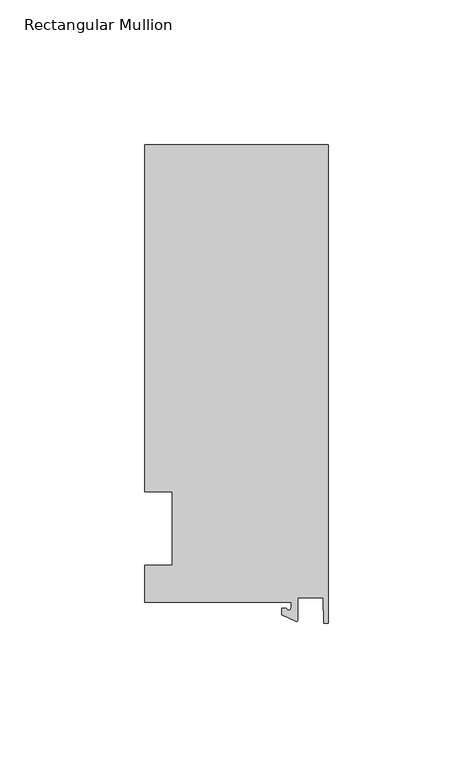
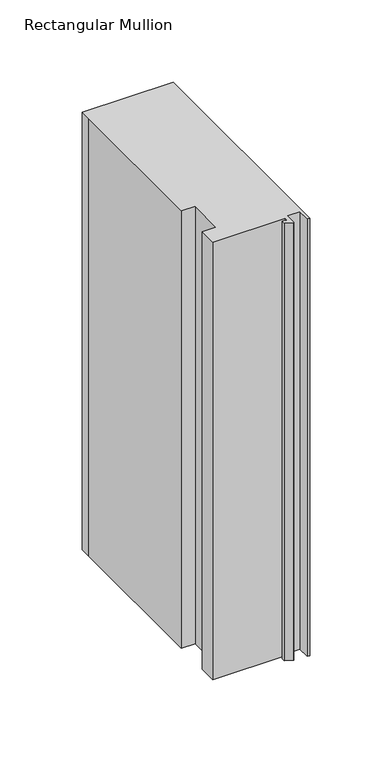
"""IFC4 building model written with IfcOpenShell, lengths in millimetres: member geometry, Rectangular Mullion."""

from ifc_helpers import new_model, si_unit, point, frame, frame_2d, origin, place, context, project, spatial, polyline, circle_curve, trimmed, segment, composite_curve, outline, extrude, source, transform, mapped, element, save


def rectangular_mullion_05969dad(model_context):
    return source(origin(), model_context, "Body", "SweptSolid", [
        extrude(outline(composite_curve([segment(polyline([(-12.8216721, -25.5984375), (-63.5, -25.5984375), (-63.5, -12.7), (-53.975, -12.7), (-53.975, 12.7), (-63.5, 12.7), (-63.5, 125.075512), (-63.5, 132.822512), (0.0, 132.822512), (0.0, -32.810012), (-1.5566453, -32.810012), (-1.7144124, -23.9227662), (-10.4340721, -23.9227662), (-10.4340721, -31.6795354)]), True, "CONTINUOUS"), segment(trimmed(circle_curve(frame_2d((-10.9420721, -31.6795354)), 0.508), [point((-10.4340721, -31.6795354))], [point((-11.1567622, -32.1399398))], False, "CARTESIAN"), True, "CONTINUOUS"), segment(polyline([(-11.1567622, -32.1399398), (-15.9966721, -29.8830527), (-15.9966721, -27.5208534), (-14.4091721, -27.5208534)]), True, "CONTINUOUS"), segment(trimmed(circle_curve(frame_2d((-13.6154221, -27.5208534)), 0.79375), [point((-14.4091721, -27.5208534))], [point((-12.8216721, -27.5208534))], True, "CARTESIAN"), True, "CONTINUOUS"), segment(polyline([(-12.8216721, -27.5208534), (-12.8216721, -25.5984375)]), True, "CONTINUOUS")], self_intersect=False)), frame((0.0, 0.0, -324.0836212), z_axis=(0.0, 0.0, 1.0), x_axis=(1.0, 0.0, 0.0)), (0.0, 0.0, 1.0), 324.0836212),
    ])


if __name__ == "__main__":
    model = new_model("IFC4")
    model_context = context("Model", 3, world=origin())
    ifc_project = project(units=[si_unit("LENGTHUNIT", "METRE", prefix="MILLI")], contexts=[model_context])
    site = spatial("IfcSite", under=ifc_project)
    building = spatial("IfcBuilding", under=site)
    placement = place(None, origin())
    rectangular_mullion_shape = rectangular_mullion_05969dad(model_context)
    element("IfcMember", 1, ObjectType="Rectangular Mullion", at=placement, inside=building, context=model_context, shape_type="MappedRepresentation", body=[
        mapped(rectangular_mullion_shape, transform((0.0, 0.0, 0.0), x_axis=(1.0, 0.0, 0.0), y_axis=(0.0, 1.0, 0.0), z_axis=(0.0, 0.0, 1.0))),
    ])
    save(model, "model.ifc")
